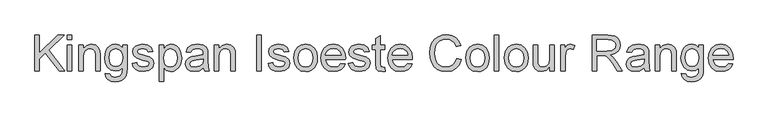
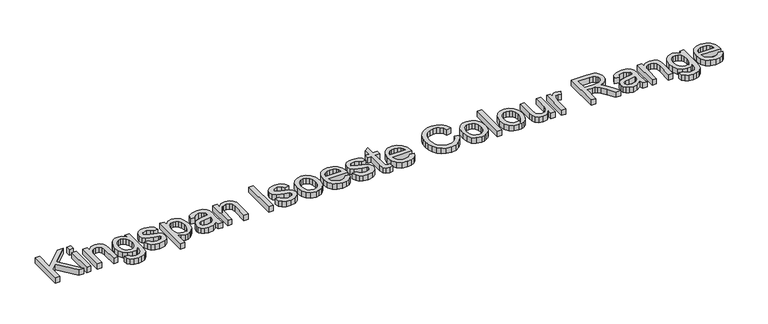
"""IFC4 building model written with IfcOpenShell, lengths in millimetres: proxy geometry."""

from ifc_helpers import new_model, si_unit, origin, origin_with_axes, place, context, project, spatial, polyline, outline, extrude, source, transform, mapped, element, save


def generic_models_50a79cdf(model_context):
    return source(origin(), model_context, "Body", "SweptSolid", [
        extrude(outline(polyline([(-1457.4013121, 700.0), (-1457.4013121, 850.6844652), (-1438.5657539, 850.6844652), (-1438.5657539, 776.9241252), (-1361.310535, 850.6844652), (-1334.9701841, 850.6844652), (-1399.8277798, 788.7331372), (-1332.6157393, 700.0), (-1355.6451522, 700.0), (-1413.1818963, 776.0044202), (-1438.5657539, 751.7977849), (-1438.5657539, 700.0), (-1457.4013121, 700.0)])), origin_with_axes(), (0.0, 0.0, 1.0), 25.0),
        extrude(outline(polyline([(-1320.8435155, 831.8489071), (-1320.8435155, 850.6844652), (-1302.0079573, 850.6844652), (-1302.0079573, 831.8489071), (-1320.8435155, 831.8489071)])), origin_with_axes(), (0.0, 0.0, 1.0), 25.0),
        extrude(outline(polyline([(-1320.8435155, 700.0), (-1320.8435155, 810.6589041), (-1302.0079573, 810.6589041), (-1302.0079573, 700.0), (-1320.8435155, 700.0)])), origin_with_axes(), (0.0, 0.0, 1.0), 25.0),
        extrude(outline(polyline([(-1273.7546201, 700.0), (-1273.7546201, 810.6589041), (-1254.9190619, 810.6589041), (-1254.9190619, 795.2078604), (-1240.5164818, 808.5619768), (-1220.8531892, 813.0133489), (-1203.0660947, 809.4264995), (-1190.9259889, 800.0087204), (-1185.2790003, 786.1579633), (-1184.2857189, 767.9478045), (-1184.2857189, 700.0), (-1203.121277, 700.0), (-1203.121277, 765.4094187), (-1205.2917808, 782.0744731), (-1212.9621204, 790.8852469), (-1225.8931725, 794.1777908), (-1236.9250339, 792.3291837), (-1246.3290174, 786.7833627), (-1252.7715508, 776.0687996), (-1254.9190619, 758.7139664), (-1254.9190619, 700.0), (-1273.7546201, 700.0)])), origin_with_axes(), (0.0, 0.0, 1.0), 25.0),
        extrude(outline(polyline([(-1163.095716, 690.5822209), (-1144.2601578, 688.2277762), (-1138.1533167, 678.2949623), (-1119.8695815, 674.1011075), (-1100.592565, 678.8467853), (-1091.3955151, 692.1641135), (-1090.1079281, 714.1266686), (-1103.370074, 703.5316672), (-1119.5384877, 700.0), (-1138.9580585, 704.1110813), (-1153.4388136, 716.4443252), (-1162.4473239, 734.5257252), (-1165.4501607, 755.8812751), (-1160.0606895, 785.0727114), (-1153.4664047, 796.9231102), (-1144.4624929, 805.7292854), (-1133.3570552, 811.192333), (-1120.4581927, 813.0133489), (-1103.6551826, 808.8930706), (-1090.1079281, 796.5322355), (-1090.1079281, 810.6589041), (-1071.27237, 810.6589041), (-1071.27237, 715.11995), (-1072.5599569, 693.0608259), (-1076.4227179, 678.5340856), (-1083.0767835, 668.9001758), (-1092.7382844, 661.5195433), (-1105.1956884, 656.8290479), (-1120.2374635, 655.2655494), (-1137.7624421, 657.4682428), (-1151.5626154, 664.0763232), (-1160.4147759, 675.1081845), (-1163.095716, 690.5822209)]), holes=[polyline([(-1146.6146026, 757.1688621), (-1144.6050472, 739.8922039), (-1138.576381, 728.0142139), (-1129.5126883, 721.1302221), (-1118.3980535, 718.8355582), (-1107.3661922, 721.1164265), (-1098.2565143, 727.9590316), (-1092.1450747, 739.6852702), (-1090.1079281, 756.6170391), (-1092.2048555, 772.9464011), (-1098.4956376, 784.7048294), (-1107.7386727, 791.8095504), (-1118.6923591, 794.1777908), (-1129.448309, 791.8463386), (-1138.4660164, 784.8519822), (-1144.577456, 773.2682979), (-1146.6146026, 757.1688621)])]), origin_with_axes(), (0.0, 0.0, 1.0), 25.0),
        extrude(outline(polyline([(-1050.082367, 732.9622268), (-1031.2468089, 735.3166715), (-1028.2761618, 727.2600558), (-1022.5280056, 721.3371557), (-1002.5520133, 716.4811134), (-983.3485731, 720.9324855), (-977.0945792, 731.3803342), (-978.6672747, 736.1811942), (-983.3853613, 739.8416201), (-1002.7727425, 745.2126972), (-1031.1364443, 754.4281412), (-1043.5156734, 765.1886895), (-1047.7279223, 780.3822159), (-1044.3434079, 794.4169141), (-1035.1095698, 805.1406742), (-1023.1350109, 810.7140864), (-1006.929809, 813.0133489), (-984.0107607, 809.3161349), (-969.4426337, 799.3097446), (-962.9679106, 782.4055669), (-981.8034687, 780.0511222), (-988.8851971, 790.4437885), (-1005.458281, 794.1777908), (-1023.4844988, 790.6093354), (-1028.8923641, 782.2952023), (-1026.6482839, 776.8137606), (-1019.6217378, 772.656694), (-1003.3981418, 768.6467803), (-975.7518099, 759.7808242), (-962.9127283, 749.7376457), (-958.259021, 733.366897), (-963.7220687, 715.3406792), (-979.4858122, 702.2624743), (-1002.8095307, 697.6455552), (-1021.8014387, 699.8712413), (-1035.6613928, 706.5482995), (-1044.913625, 717.6031535), (-1050.082367, 732.9622268)])), origin_with_axes(), (0.0, 0.0, 1.0), 25.0),
        extrude(outline(polyline([(-937.0690181, 657.6199942), (-937.0690181, 810.6589041), (-918.23346, 810.6589041), (-918.23346, 792.191228), (-905.2104373, 807.8078187), (-887.625678, 813.0133489), (-874.8877639, 811.192333), (-863.7501365, 805.7292854), (-854.6818453, 796.9552998), (-848.1519399, 785.2014701), (-842.8912273, 756.1755807), (-844.3765509, 740.0669478), (-848.8325216, 725.6597692), (-856.1165851, 713.6852102), (-866.0861871, 704.8744364), (-877.6974626, 699.4527755), (-889.9065463, 697.6455552), (-906.2956892, 702.4832035), (-918.23346, 714.7152798), (-918.23346, 657.6199942), (-937.0690181, 657.6199942)]), holes=[polyline([(-918.23346, 754.4465353), (-916.1963134, 737.5607517), (-910.0848738, 725.7517397), (-901.0671664, 718.79877), (-890.3112165, 716.4811134), (-879.3805227, 718.8815434), (-870.1328891, 726.0828335), (-863.8283114, 738.3241068), (-861.7267855, 755.8444869), (-863.7777276, 772.6382999), (-869.930554, 784.6128589), (-878.9344658, 791.7865578), (-889.5386643, 794.1777908), (-900.1842496, 791.6348065), (-909.5330508, 784.0058536), (-916.0583577, 771.5300554), (-918.23346, 754.4465353)])]), origin_with_axes(), (0.0, 0.0, 1.0), 25.0),
        extrude(outline(polyline([(-751.0678814, 714.1266686), (-769.3332224, 701.3611634), (-789.5115498, 697.6455552), (-805.2523007, 699.8804384), (-816.8635762, 706.5850877), (-824.0234795, 716.7662219), (-826.410114, 729.4305596), (-822.8048704, 744.3297804), (-813.331909, 755.1455111), (-800.1433395, 761.3259286), (-783.8461671, 764.15862), (-751.178246, 770.6333431), (-751.0678814, 774.8271978), (-752.3646654, 783.2333014), (-756.2550175, 788.7331372), (-764.9554267, 792.8166274), (-777.0771384, 794.1777908), (-796.1334258, 790.5541531), (-805.220111, 777.6966774), (-824.0556692, 780.0511222), (-815.907083, 798.4452219), (-799.499546, 809.2241644), (-774.6491172, 813.0133489), (-751.8220394, 809.6656228), (-738.9277755, 801.2595192), (-733.1520282, 788.4756198), (-732.2323232, 771.9945065), (-732.2323232, 748.5604234), (-731.27583, 715.8373199), (-727.5234337, 700.0), (-746.3589918, 700.0), (-751.0678814, 714.1266686)]), holes=[polyline([(-751.0678814, 751.7977849), (-781.4549342, 746.0220376), (-797.660136, 742.968617), (-804.9993818, 738.0022101), (-807.5745558, 730.7549348), (-801.9643554, 720.5646035), (-785.5016361, 716.4811134), (-766.4453488, 720.9876678), (-754.1580901, 731.895369), (-751.178246, 746.463496), (-751.0678814, 751.7977849)])]), origin_with_axes(), (0.0, 0.0, 1.0), 25.0),
        extrude(outline(polyline([(-706.3334307, 700.0), (-706.3334307, 810.6589041), (-687.4978726, 810.6589041), (-687.4978726, 795.2078604), (-673.0952925, 808.5619768), (-653.4319998, 813.0133489), (-635.6449054, 809.4264995), (-623.5047995, 800.0087204), (-617.8578109, 786.1579633), (-616.8645295, 767.9478045), (-616.8645295, 700.0), (-635.7000877, 700.0), (-635.7000877, 765.4094187), (-637.8705914, 782.0744731), (-645.540931, 790.8852469), (-658.4719832, 794.1777908), (-669.5038445, 792.3291837), (-678.907828, 786.7833627), (-685.3503614, 776.0687996), (-687.4978726, 758.7139664), (-687.4978726, 700.0), (-706.3334307, 700.0)])), origin_with_axes(), (0.0, 0.0, 1.0), 25.0),
        extrude(outline(polyline([(-527.3956283, 700.0), (-527.3956283, 850.6844652), (-508.5600701, 850.6844652), (-508.5600701, 700.0), (-527.3956283, 700.0)])), origin_with_axes(), (0.0, 0.0, 1.0), 25.0),
        extrude(outline(polyline([(-480.3067329, 732.9622268), (-461.4711747, 735.3166715), (-458.5005276, 727.2600558), (-452.7523715, 721.3371557), (-432.7763791, 716.4811134), (-413.572939, 720.9324855), (-407.3189451, 731.3803342), (-408.8916406, 736.1811942), (-413.6097272, 739.8416201), (-432.9971083, 745.2126972), (-461.3608102, 754.4281412), (-473.7400393, 765.1886895), (-477.9522881, 780.3822159), (-474.5677738, 794.4169141), (-465.3339357, 805.1406742), (-453.3593768, 810.7140864), (-437.1541749, 813.0133489), (-414.2351266, 809.3161349), (-399.6669996, 799.3097446), (-393.1922764, 782.4055669), (-412.0278346, 780.0511222), (-419.109563, 790.4437885), (-435.6826469, 794.1777908), (-453.7088647, 790.6093354), (-459.11673, 782.2952023), (-456.8726498, 776.8137606), (-449.8461037, 772.656694), (-433.6225077, 768.6467803), (-405.9761758, 759.7808242), (-393.1370941, 749.7376457), (-388.4833869, 733.366897), (-393.9464345, 715.3406792), (-409.710178, 702.2624743), (-433.0338965, 697.6455552), (-452.0258045, 699.8712413), (-465.8857587, 706.5482995), (-475.1379909, 717.6031535), (-480.3067329, 732.9622268)])), origin_with_axes(), (0.0, 0.0, 1.0), 25.0),
        extrude(outline(polyline([(-372.0022735, 755.3294521), (-367.9279804, 782.0100938), (-355.7051011, 800.7628785), (-340.6035452, 809.9507313), (-322.5221452, 813.0133489), (-302.7346924, 809.2839452), (-286.9295621, 798.095734), (-276.5690854, 780.3316322), (-273.1155932, 756.8745565), (-274.6423035, 737.8458603), (-279.2224343, 723.3605067), (-286.7226285, 712.5125864), (-297.0095288, 704.3961898), (-309.2278096, 699.3332139), (-322.5221452, 697.6455552), (-342.5487213, 701.3611634), (-358.3354574, 712.5079878), (-368.5855695, 730.6445702), (-372.0022735, 755.3294521)]), holes=[polyline([(-353.1667154, 755.3662403), (-350.9870145, 738.3195083), (-344.4479121, 726.174804), (-334.6070687, 718.904536), (-322.5221452, 716.4811134), (-310.4924039, 718.9183316), (-300.6699547, 726.2299863), (-294.1308522, 738.535639), (-291.9511514, 755.9548515), (-294.1446478, 772.5049427), (-300.725137, 784.4841002), (-310.5613818, 791.7543681), (-322.5221452, 794.1777908), (-334.6070687, 791.7635652), (-344.4479121, 784.5208884), (-350.9870145, 772.4037752), (-353.1667154, 755.3662403)])]), origin_with_axes(), (0.0, 0.0, 1.0), 25.0),
        extrude(outline(polyline([(-174.4496421, 732.9622268), (-155.981966, 730.607782), (-162.6360315, 716.6926455), (-173.2540256, 706.2907821), (-187.5968249, 699.806862), (-205.4253061, 697.6455552), (-227.525817, 701.374959), (-244.5311622, 712.5631701), (-255.374484, 730.4836218), (-258.9889246, 754.4097471), (-255.3376958, 779.1406142), (-244.3840094, 797.6358815), (-227.6085904, 809.1689821), (-206.4921639, 813.0133489), (-186.0333264, 809.1781791), (-169.6855703, 797.6726697), (-158.9664086, 779.2141906), (-155.3933548, 754.5201117), (-155.5037194, 749.4433402), (-240.1533665, 749.4433402), (-236.8930123, 735.3442627), (-229.3192417, 724.9791875), (-218.3885479, 718.6056319), (-205.0574241, 716.4811134), (-186.589748, 720.4174507), (-174.4496421, 732.9622268)]), holes=[polyline([(-240.1533665, 768.2788983), (-174.2289129, 768.2788983), (-176.7764957, 778.2301063), (-181.7704938, 785.3486229), (-192.7517714, 791.9704988), (-206.5657403, 794.1777908), (-219.2622677, 792.4165557), (-229.7607001, 787.1328506), (-237.0585592, 778.8968924), (-240.1533665, 768.2788983)])]), origin_with_axes(), (0.0, 0.0, 1.0), 25.0),
        extrude(outline(polyline([(-143.6211309, 732.9622268), (-124.7855728, 735.3166715), (-121.8149257, 727.2600558), (-116.0667695, 721.3371557), (-96.0907771, 716.4811134), (-76.887337, 720.9324855), (-70.6333431, 731.3803342), (-72.2060386, 736.1811942), (-76.9241252, 739.8416201), (-96.3115063, 745.2126972), (-124.6752082, 754.4281412), (-137.0544373, 765.1886895), (-141.2666861, 780.3822159), (-137.8821718, 794.4169141), (-128.6483337, 805.1406742), (-116.6737748, 810.7140864), (-100.4685729, 813.0133489), (-77.5495246, 809.3161349), (-62.9813976, 799.3097446), (-56.5066745, 782.4055669), (-75.3422326, 780.0511222), (-82.423961, 790.4437885), (-98.9970449, 794.1777908), (-117.0232627, 790.6093354), (-122.431128, 782.2952023), (-120.1870478, 776.8137606), (-113.1605017, 772.656694), (-96.9369057, 768.6467803), (-69.2905738, 759.7808242), (-56.4514922, 749.7376457), (-51.7977849, 733.366897), (-57.2608325, 715.3406792), (-73.024576, 702.2624743), (-96.3482945, 697.6455552), (-115.3402025, 699.8712413), (-129.2001567, 706.5482995), (-138.4523889, 717.6031535), (-143.6211309, 732.9622268)])), origin_with_axes(), (0.0, 0.0, 1.0), 25.0),
        extrude(outline(polyline([(9.4177791, 715.7085612), (11.7722238, 699.448177), (-2.3176566, 697.6455552), (-18.0997942, 700.7725522), (-25.9724689, 708.9763207), (-28.2533372, 730.3502646), (-28.2533372, 791.823346), (-42.3800058, 791.823346), (-42.3800058, 810.6589041), (-28.2533372, 810.6589041), (-28.2533372, 837.551078), (-9.4177791, 848.6243261), (-9.4177791, 810.6589041), (9.4177791, 810.6589041), (9.4177791, 791.823346), (-9.4177791, 791.823346), (-9.4177791, 730.9020876), (-8.4244977, 721.1900029), (-5.2055302, 717.7503063), (1.2140106, 716.4811134), (9.4177791, 715.7085612)])), origin_with_axes(), (0.0, 0.0, 1.0), 25.0),
        extrude(outline(polyline([(105.7292854, 732.9622268), (124.1969616, 730.607782), (117.542896, 716.6926455), (106.9249019, 706.2907821), (92.5821026, 699.806862), (74.7536214, 697.6455552), (52.6531106, 701.374959), (35.6477653, 712.5631701), (24.8044435, 730.4836218), (21.1900029, 754.4097471), (24.8412317, 779.1406142), (35.7949181, 797.6358815), (52.5703371, 809.1689821), (73.6867636, 813.0133489), (94.1456011, 809.1781791), (110.4933573, 797.6726697), (121.2125189, 779.2141906), (124.7855728, 754.5201117), (124.6752082, 749.4433402), (40.0255611, 749.4433402), (43.2859153, 735.3442627), (50.8596858, 724.9791875), (61.7903796, 718.6056319), (75.1215034, 716.4811134), (93.5891796, 720.4174507), (105.7292854, 732.9622268)]), holes=[polyline([(40.0255611, 768.2788983), (105.9500146, 768.2788983), (103.4024318, 778.2301063), (98.4084337, 785.3486229), (87.4271562, 791.9704988), (73.6131872, 794.1777908), (60.9166599, 792.4165557), (50.4182274, 787.1328506), (43.1203684, 778.8968924), (40.0255611, 768.2788983)])]), origin_with_axes(), (0.0, 0.0, 1.0), 25.0),
        extrude(outline(polyline([(310.7867095, 753.5636185), (329.6222677, 748.7075762), (320.9310555, 726.7588166), (307.2918306, 710.7237602), (289.3759774, 700.9151065), (267.8548807, 697.6455552), (246.0072887, 700.1195616), (228.6570541, 707.5415809), (215.35812, 719.6540956), (205.6644294, 736.1995883), (199.7461278, 755.6513488), (197.7733606, 776.4826668), (200.0036452, 798.454419), (206.694499, 817.4279329), (217.4964341, 832.8008017), (232.0599626, 843.9706188), (249.3320222, 850.7718372), (268.2595509, 853.03891), (288.9115264, 850.1050511), (305.9858495, 841.3034743), (318.9490913, 827.1768057), (327.2678229, 808.2676712), (308.4322648, 803.7795108), (301.9023593, 817.5153048), (292.981221, 826.9376824), (281.558485, 832.3869345), (267.5237869, 834.2033518), (251.3461762, 832.1891979), (238.0564391, 826.1467361), (227.9718739, 816.710563), (221.4097788, 804.5152748), (216.6089188, 776.519455), (218.029863, 759.1186366), (222.2926956, 744.072263), (229.558365, 731.9551498), (239.9878196, 723.3421126), (252.4912089, 718.1963632), (265.9786825, 716.4811134), (281.7010393, 718.8171641), (294.8022368, 725.8253161), (304.693664, 737.431993), (310.7867095, 753.5636185)])), origin_with_axes(), (0.0, 0.0, 1.0), 25.0),
        extrude(outline(polyline([(348.4578258, 755.3294521), (352.5321189, 782.0100938), (364.7549982, 800.7628785), (379.8565541, 809.9507313), (397.9379542, 813.0133489), (417.725407, 809.2839452), (433.5305372, 798.095734), (443.8910139, 780.3316322), (447.3445061, 756.8745565), (445.8177959, 737.8458603), (441.237665, 723.3605067), (433.7374708, 712.5125864), (423.4505705, 704.3961898), (411.2322898, 699.3332139), (397.9379542, 697.6455552), (377.9113781, 701.3611634), (362.124642, 712.5079878), (351.8745299, 730.6445702), (348.4578258, 755.3294521)]), holes=[polyline([(367.293384, 755.3662403), (369.4730848, 738.3195083), (376.0121873, 726.174804), (385.8530306, 718.904536), (397.9379542, 716.4811134), (409.9676954, 718.9183316), (419.7901447, 726.2299863), (426.3292472, 738.535639), (428.508948, 755.9548515), (426.3154516, 772.5049427), (419.7349624, 784.4841002), (409.8987176, 791.7543681), (397.9379542, 794.1777908), (385.8530306, 791.7635652), (376.0121873, 784.5208884), (369.4730848, 772.4037752), (367.293384, 755.3662403)])]), origin_with_axes(), (0.0, 0.0, 1.0), 25.0),
        extrude(outline(polyline([(468.5345091, 700.0), (468.5345091, 850.6844652), (487.3700672, 850.6844652), (487.3700672, 700.0), (468.5345091, 700.0)])), origin_with_axes(), (0.0, 0.0, 1.0), 25.0),
        extrude(outline(polyline([(510.9145149, 755.3294521), (514.988808, 782.0100938), (527.2116873, 800.7628785), (542.3132432, 809.9507313), (560.3946433, 813.0133489), (580.1820961, 809.2839452), (595.9872263, 798.095734), (606.347703, 780.3316322), (609.8011952, 756.8745565), (608.2744849, 737.8458603), (603.6943541, 723.3605067), (596.1941599, 712.5125864), (585.9072596, 704.3961898), (573.6889789, 699.3332139), (560.3946433, 697.6455552), (540.3680671, 701.3611634), (524.581331, 712.5079878), (514.3312189, 730.6445702), (510.9145149, 755.3294521)]), holes=[polyline([(529.7500731, 755.3662403), (531.9297739, 738.3195083), (538.4688763, 726.174804), (548.3097197, 718.904536), (560.3946433, 716.4811134), (572.4243845, 718.9183316), (582.2468338, 726.2299863), (588.7859362, 738.535639), (590.9656371, 755.9548515), (588.7721407, 772.5049427), (582.1916515, 784.4841002), (572.3554066, 791.7543681), (560.3946433, 794.1777908), (548.3097197, 791.7635652), (538.4688763, 784.5208884), (531.9297739, 772.4037752), (529.7500731, 755.3662403)])]), origin_with_axes(), (0.0, 0.0, 1.0), 25.0),
        extrude(outline(polyline([(701.6245412, 700.0), (701.6245412, 719.0194992), (686.8724732, 702.9890412), (667.6322448, 697.6455552), (649.9187268, 701.3979516), (637.7050445, 710.8157307), (632.0948441, 724.6848819), (630.9911981, 742.1960648), (630.9911981, 810.6589041), (649.8267563, 810.6589041), (649.8267563, 751.0620209), (650.9671905, 731.8585808), (658.4168009, 720.5829976), (672.451499, 716.4811134), (688.1784543, 720.6749681), (698.5711206, 732.0977041), (701.6245412, 753.0853719), (701.6245412, 810.6589041), (720.4600994, 810.6589041), (720.4600994, 700.0), (701.6245412, 700.0)])), origin_with_axes(), (0.0, 0.0, 1.0), 25.0),
        extrude(outline(polyline([(746.3589918, 700.0), (746.3589918, 810.6589041), (762.8401052, 810.6589041), (762.8401052, 794.2881554), (774.5387526, 809.3713172), (786.3109765, 813.0133489), (805.220111, 807.2008134), (798.9293289, 790.3150298), (785.6855771, 794.1777908), (775.0353933, 790.4621826), (768.2479705, 780.1614867), (765.19455, 758.1621434), (765.19455, 700.0), (746.3589918, 700.0)])), origin_with_axes(), (0.0, 0.0, 1.0), 25.0),
        extrude(outline(polyline([(878.2078989, 700.0), (878.2078989, 850.6844652), (943.139071, 850.6844652), (973.2870005, 846.6193692), (982.5668239, 840.9907747), (989.7681139, 832.2351832), (994.3896315, 821.3780658), (995.9301373, 809.4448936), (993.377956, 794.6008551), (985.721412, 782.2952023), (972.730579, 773.2728964), (954.1755309, 768.2788983), (964.8808969, 760.2222826), (980.1479997, 740.8349015), (1005.27434, 700.0), (983.3853613, 700.0), (963.777251, 731.2331814), (949.6137941, 751.9081495), (939.6625862, 761.6754165), (930.7046596, 765.2622659), (919.7785643, 765.9244535), (897.043457, 765.9244535), (897.043457, 700.0), (878.2078989, 700.0)]), holes=[polyline([(897.043457, 784.7600117), (939.2027337, 784.7600117), (960.7054363, 787.4271562), (972.9191185, 795.9620184), (977.0945792, 808.7459178), (975.1034179, 817.9337706), (969.129934, 825.3373958), (958.8522308, 830.2210292), (943.9484114, 831.8489071), (897.043457, 831.8489071), (897.043457, 784.7600117)])]), origin_with_axes(), (0.0, 0.0, 1.0), 25.0),
        extrude(outline(polyline([(1097.1712624, 714.1266686), (1078.9059214, 701.3611634), (1058.7275939, 697.6455552), (1042.9868431, 699.8804384), (1031.3755676, 706.5850877), (1024.2156642, 716.7662219), (1021.8290298, 729.4305596), (1025.4342734, 744.3297804), (1034.9072347, 755.1455111), (1048.0958043, 761.3259286), (1064.3929766, 764.15862), (1097.0608978, 770.6333431), (1097.1712624, 774.8271978), (1095.8744784, 783.2333014), (1091.9841263, 788.7331372), (1083.2837171, 792.8166274), (1071.1620054, 794.1777908), (1052.105718, 790.5541531), (1043.0190327, 777.6966774), (1024.1834746, 780.0511222), (1032.3320608, 798.4452219), (1048.7395978, 809.2241644), (1073.5900265, 813.0133489), (1096.4171043, 809.6656228), (1109.3113683, 801.2595192), (1115.0871156, 788.4756198), (1116.0068206, 771.9945065), (1116.0068206, 748.5604234), (1116.9633138, 715.8373199), (1120.7157101, 700.0), (1101.880152, 700.0), (1097.1712624, 714.1266686)]), holes=[polyline([(1097.1712624, 751.7977849), (1066.7842096, 746.0220376), (1050.5790077, 742.968617), (1043.2397619, 738.0022101), (1040.664588, 730.7549348), (1046.2747884, 720.5646035), (1062.7375077, 716.4811134), (1081.793795, 720.9876678), (1094.0810537, 731.895369), (1097.0608978, 746.463496), (1097.1712624, 751.7977849)])]), origin_with_axes(), (0.0, 0.0, 1.0), 25.0),
        extrude(outline(polyline([(1141.905713, 700.0), (1141.905713, 810.6589041), (1160.7412712, 810.6589041), (1160.7412712, 795.2078604), (1175.1438513, 808.5619768), (1194.8071439, 813.0133489), (1212.5942384, 809.4264995), (1224.7343442, 800.0087204), (1230.3813329, 786.1579633), (1231.3746143, 767.9478045), (1231.3746143, 700.0), (1212.5390561, 700.0), (1212.5390561, 765.4094187), (1210.3685523, 782.0744731), (1202.6982127, 790.8852469), (1189.7671606, 794.1777908), (1178.7352993, 792.3291837), (1169.3313158, 786.7833627), (1162.8887823, 776.0687996), (1160.7412712, 758.7139664), (1160.7412712, 700.0), (1141.905713, 700.0)])), origin_with_axes(), (0.0, 0.0, 1.0), 25.0),
        extrude(outline(polyline([(1252.5646172, 690.5822209), (1271.4001753, 688.2277762), (1277.5070165, 678.2949623), (1295.7907516, 674.1011075), (1315.0677682, 678.8467853), (1324.264818, 692.1641135), (1325.552405, 714.1266686), (1312.2902591, 703.5316672), (1296.1218454, 700.0), (1276.7022746, 704.1110813), (1262.2215196, 716.4443252), (1253.2130092, 734.5257252), (1250.2101724, 755.8812751), (1255.5996436, 785.0727114), (1262.1939284, 796.9231102), (1271.1978402, 805.7292854), (1282.303278, 811.192333), (1295.2021404, 813.0133489), (1312.0051505, 808.8930706), (1325.552405, 796.5322355), (1325.552405, 810.6589041), (1344.3879632, 810.6589041), (1344.3879632, 715.11995), (1343.1003762, 693.0608259), (1339.2376152, 678.5340856), (1332.5835497, 668.9001758), (1322.9220488, 661.5195433), (1310.4646447, 656.8290479), (1295.4228696, 655.2655494), (1277.8978911, 657.4682428), (1264.0977177, 664.0763232), (1255.2455572, 675.1081845), (1252.5646172, 690.5822209)]), holes=[polyline([(1269.0457306, 757.1688621), (1271.055286, 739.8922039), (1277.0839522, 728.0142139), (1286.1476448, 721.1302221), (1297.2622796, 718.8355582), (1308.2941409, 721.1164265), (1317.4038188, 727.9590316), (1323.5152585, 739.6852702), (1325.552405, 756.6170391), (1323.4554776, 772.9464011), (1317.1646955, 784.7048294), (1307.9216604, 791.8095504), (1296.967974, 794.1777908), (1286.2120242, 791.8463386), (1277.1943168, 784.8519822), (1271.0828771, 773.2682979), (1269.0457306, 757.1688621)])]), origin_with_axes(), (0.0, 0.0, 1.0), 25.0),
        extrude(outline(polyline([(1450.1172486, 732.9622268), (1468.5849247, 730.607782), (1461.9308592, 716.6926455), (1451.3128651, 706.2907821), (1436.9700658, 699.806862), (1419.1415846, 697.6455552), (1397.0410737, 701.374959), (1380.0357285, 712.5631701), (1369.1924067, 730.4836218), (1365.5779661, 754.4097471), (1369.2291949, 779.1406142), (1380.1828813, 797.6358815), (1396.9583003, 809.1689821), (1418.0747268, 813.0133489), (1438.5335643, 809.1781791), (1454.8813204, 797.6726697), (1465.6004821, 779.2141906), (1469.1735359, 754.5201117), (1469.0631713, 749.4433402), (1384.4135242, 749.4433402), (1387.6738784, 735.3442627), (1395.247649, 724.9791875), (1406.1783428, 718.6056319), (1419.5094666, 716.4811134), (1437.9771427, 720.4174507), (1450.1172486, 732.9622268)]), holes=[polyline([(1384.4135242, 768.2788983), (1450.3379778, 768.2788983), (1447.790395, 778.2301063), (1442.7963969, 785.3486229), (1431.8151193, 791.9704988), (1418.0011504, 794.1777908), (1405.3046231, 792.4165557), (1394.8061906, 787.1328506), (1387.5083315, 778.8968924), (1384.4135242, 768.2788983)])]), origin_with_axes(), (0.0, 0.0, 1.0), 25.0),
    ])


if __name__ == "__main__":
    model = new_model("IFC4")
    model_context = context("Model", 3, world=origin())
    ifc_project = project(units=[si_unit("LENGTHUNIT", "METRE", prefix="MILLI")], contexts=[model_context])
    site = spatial("IfcSite", under=ifc_project)
    building = spatial("IfcBuilding", under=site)
    placement = place(None, origin())
    generic_models_shape = generic_models_50a79cdf(model_context)
    element("IfcBuildingElementProxy", 1, Name="Generic Models", at=placement, inside=building, context=model_context, shape_type="MappedRepresentation", body=[
        mapped(generic_models_shape, transform((0.0, 0.0, 0.0), x_axis=(1.0, 0.0, 0.0), y_axis=(0.0, 1.0, 0.0), z_axis=(0.0, 0.0, 1.0))),
    ])
    save(model, "model.ifc")
